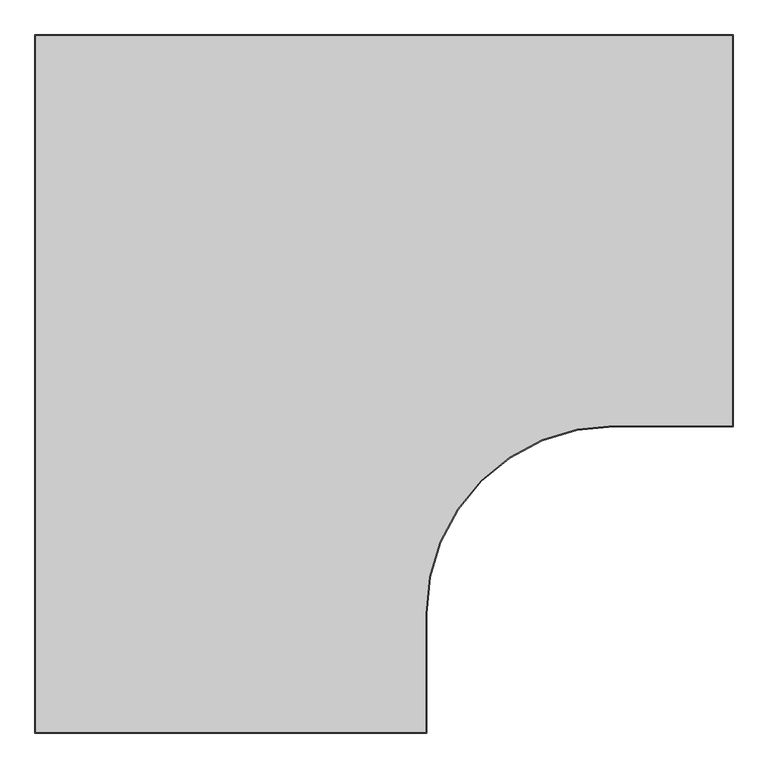
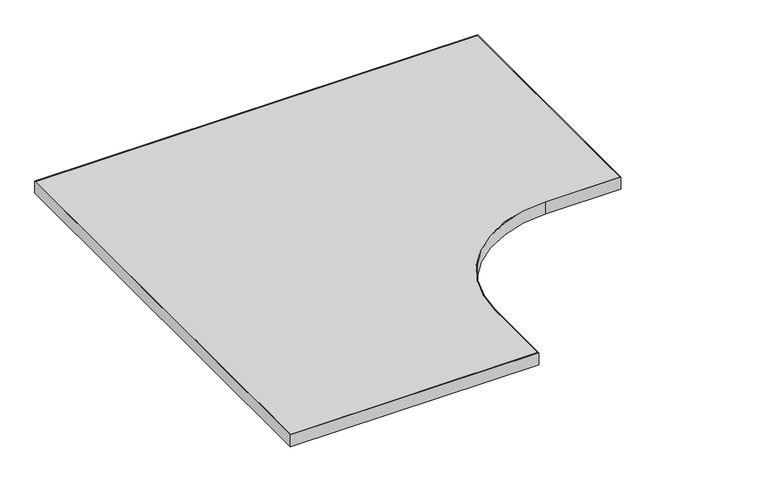
"""IFC4 building model written with IfcOpenShell, lengths in millimetres: furniture geometry."""

from ifc_helpers import new_model, si_unit, point, frame, frame_2d, origin, place, context, project, spatial, polyline, circle_curve, trimmed, segment, composite_curve, outline, extrude, source, transform, mapped, element, save


def furniture_3bf2050b(model_context):
    return source(origin(), model_context, "Body", "SweptSolid", [
        extrude(outline(composite_curve([segment(polyline([(-785.8633, 808.0883), (252.4633, 808.0883), (252.4633, 225.3615), (74.676, 225.3615)]), True, "CONTINUOUS"), segment(trimmed(circle_curve(frame_2d((74.676, -52.451)), 277.8125), [point((74.676, 225.3615))], [point((-203.1365, -52.451))], True, "CARTESIAN"), True, "CONTINUOUS"), segment(polyline([(-203.1365, -52.451), (-203.1365, -230.2383), (-785.8633, -230.2383), (-785.8633, 808.0883)]), True, "CONTINUOUS")], self_intersect=False), holes=[composite_curve([segment(polyline([(74.676, 226.949), (250.8758, 226.949), (250.8758, 806.5008), (-784.2758, 806.5008), (-784.2758, -228.6508), (-204.724, -228.6508), (-204.724, -52.451)]), True, "CONTINUOUS"), segment(trimmed(circle_curve(frame_2d((74.676, -52.451)), 279.4), [point((-204.724, -52.451))], [point((74.676, 226.949))], False, "CARTESIAN"), True, "CONTINUOUS")], self_intersect=False)]), frame((0.0, 0.0, 707.009), z_axis=(0.0, 0.0, 1.0), x_axis=(1.0, 0.0, 0.0)), (0.0, 0.0, 1.0), 29.591),
        extrude(outline(composite_curve([segment(polyline([(250.8758, 806.5008), (250.8758, 226.949), (74.676, 226.949)]), True, "CONTINUOUS"), segment(trimmed(circle_curve(frame_2d((74.676, -52.451)), 279.4), [point((74.676, 226.949))], [point((-204.724, -52.451))], True, "CARTESIAN"), True, "CONTINUOUS"), segment(polyline([(-204.724, -52.451), (-204.724, -228.6508), (-784.2758, -228.6508), (-784.2758, 806.5008), (250.8758, 806.5008)]), True, "CONTINUOUS")], self_intersect=False)), frame((0.0, 0.0, 707.0328125), z_axis=(0.0, 0.0, 1.0), x_axis=(1.0, 0.0, 0.0)), (0.0, 0.0, 1.0), 29.5671875),
    ])


if __name__ == "__main__":
    model = new_model("IFC4")
    model_context = context("Model", 3, world=origin())
    ifc_project = project(units=[si_unit("LENGTHUNIT", "METRE", prefix="MILLI")], contexts=[model_context])
    site = spatial("IfcSite", under=ifc_project)
    building = spatial("IfcBuilding", under=site)
    placement = place(None, origin())
    furniture_shape = furniture_3bf2050b(model_context)
    element("IfcFurniture", 1, at=placement, inside=building, context=model_context, shape_type="MappedRepresentation", body=[
        mapped(furniture_shape, transform((0.0, 0.0, 0.0), x_axis=(1.0, 0.0, 0.0), y_axis=(0.0, 1.0, 0.0), z_axis=(0.0, 0.0, 1.0))),
    ])
    save(model, "model.ifc")
